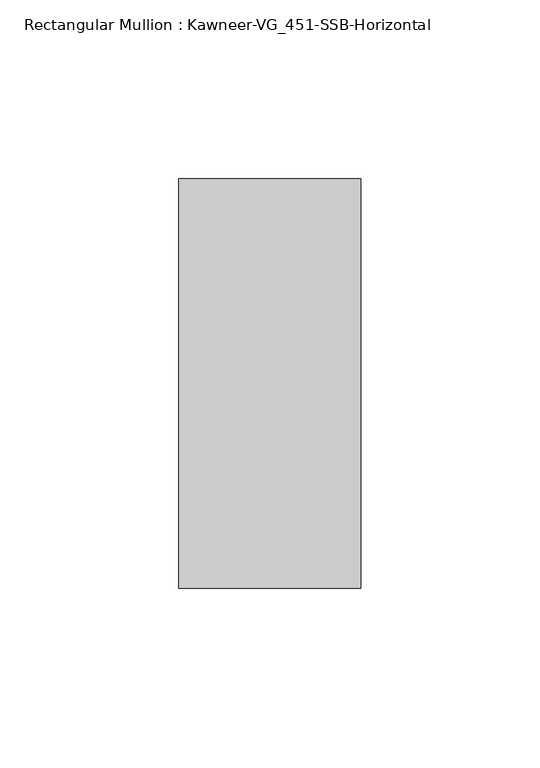
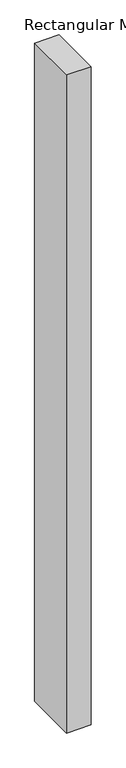
"""IFC4 building model written with IfcOpenShell, lengths in millimetres: member geometry, Rectangular Mullion : Kawneer-VG_451-SSB-Horizontal."""

from ifc_helpers import new_model, si_unit, frame, origin, place, context, project, spatial, polyline, outline, extrude, source, transform, mapped, element, save


def rectangular_mullion_kawneer_vg_451_ssb_horizontal_f5af0a38(model_context):
    return source(origin(), model_context, "Body", "SweptSolid", [
        extrude(outline(polyline([(25.4, 57.15), (25.4, -57.15), (-25.4, -57.15), (-25.4, 57.15), (25.4, 57.15)])), frame((0.0, 0.0, -1443.0375), z_axis=(0.0, 0.0, 1.0), x_axis=(1.0, 0.0, 0.0)), (0.0, 0.0, 1.0), 1443.0375),
    ])


if __name__ == "__main__":
    model = new_model("IFC4")
    model_context = context("Model", 3, world=origin())
    ifc_project = project(units=[si_unit("LENGTHUNIT", "METRE", prefix="MILLI")], contexts=[model_context])
    site = spatial("IfcSite", under=ifc_project)
    building = spatial("IfcBuilding", under=site)
    placement = place(None, origin())
    rectangular_mullion_kawneer_vg_451_ssb_horizontal_shape = rectangular_mullion_kawneer_vg_451_ssb_horizontal_f5af0a38(model_context)
    element("IfcMember", 1, ObjectType="Rectangular Mullion : Kawneer-VG_451-SSB-Horizontal", at=placement, inside=building, context=model_context, shape_type="MappedRepresentation", body=[
        mapped(rectangular_mullion_kawneer_vg_451_ssb_horizontal_shape, transform((0.0, 0.0, 0.0), x_axis=(1.0, 0.0, 0.0), y_axis=(0.0, 1.0, 0.0), z_axis=(0.0, 0.0, 1.0))),
    ])
    save(model, "model.ifc")
